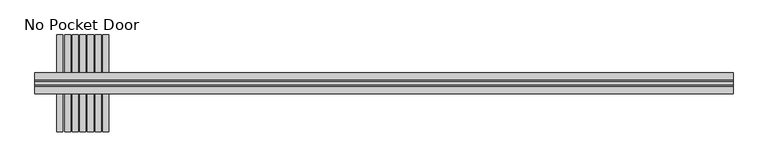
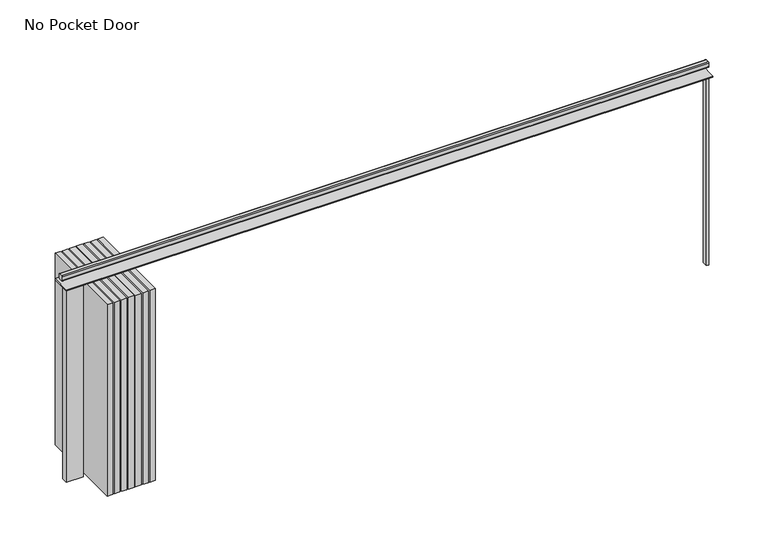
"""IFC4 building model written with IfcOpenShell, lengths in millimetres: proxy geometry, No Pocket Door."""

from ifc_helpers import new_model, si_unit, point, frame, frame_2d, origin, origin_with_axes, place, context, project, spatial, polyline, circle_curve, trimmed, segment, composite_curve, outline, extrude, source, transform, mapped, element, save


def no_pocket_door_01cbc0ba(model_context):
    return source(origin(), model_context, "Body", "SweptSolid", [
        extrude(outline(polyline([(-623.9464503, -603.7035714), (-700.1464503, -603.7035714), (-700.1464503, 603.7035714), (-623.9464503, 603.7035714), (-623.9464503, -603.7035714)])), origin_with_axes(), (0.0, 0.0, 1.0), 2724.15),
        extrude(outline(polyline([(-719.1964503, -603.7035714), (-795.3964503, -603.7035714), (-795.3964503, 603.7035714), (-719.1964503, 603.7035714), (-719.1964503, -603.7035714)])), origin_with_axes(), (0.0, 0.0, 1.0), 2724.15),
        extrude(outline(polyline([(-814.4464503, -603.7035714), (-890.6464503, -603.7035714), (-890.6464503, 603.7035714), (-814.4464503, 603.7035714), (-814.4464503, -603.7035714)])), origin_with_axes(), (0.0, 0.0, 1.0), 2724.15),
        extrude(outline(polyline([(-909.6964503, -603.7035714), (-985.8964503, -603.7035714), (-985.8964503, 603.7035714), (-909.6964503, 603.7035714), (-909.6964503, -603.7035714)])), origin_with_axes(), (0.0, 0.0, 1.0), 2724.15),
        extrude(outline(polyline([(-1004.9464503, -603.7035714), (-1081.1464503, -603.7035714), (-1081.1464503, 603.7035714), (-1004.9464503, 603.7035714), (-1004.9464503, -603.7035714)])), origin_with_axes(), (0.0, 0.0, 1.0), 2724.15),
        extrude(outline(polyline([(-1220.8464503, -120.65), (-1449.4464503, -120.65), (-1449.4464503, -44.45), (-1220.8464503, -44.45), (-1220.8464503, -120.65)])), origin_with_axes(), (0.0, 0.0, 1.0), 2724.15),
        extrude(outline(polyline([(-528.6964503, -603.7035714), (-604.8964503, -603.7035714), (-604.8964503, 603.7035714), (-528.6964503, 603.7035714), (-528.6964503, -603.7035714)])), origin_with_axes(), (0.0, 0.0, 1.0), 2724.15),
        extrude(outline(polyline([(7237.3535497, -38.1), (7205.6035497, -38.1), (7205.6035497, 38.1), (7237.3535497, 38.1), (7237.3535497, -38.1)])), origin_with_axes(), (0.0, 0.0, 1.0), 2724.15),
        extrude(outline(polyline([(-1100.1964503, -603.7035714), (-1176.3964503, -603.7035714), (-1176.3964503, 603.7035714), (-1100.1964503, 603.7035714), (-1100.1964503, -603.7035714)])), origin_with_axes(), (0.0, 0.0, 1.0), 2724.15),
        extrude(outline(polyline([(7237.3535497, -130.175), (-1449.4464503, -130.175), (-1449.4464503, 130.175), (7237.3535497, 130.175), (7237.3535497, -130.175)])), frame((0.0, 0.0, 2724.15), z_axis=(0.0, 0.0, 1.0), x_axis=(1.0, 0.0, 0.0)), (0.0, 0.0, 1.0), 19.05),
        extrude(outline(composite_curve([segment(trimmed(circle_curve(frame_2d((22.225, 2867.025)), 15.875), [point((22.225, 2882.9))], [point((38.1, 2867.025))], False, "CARTESIAN"), True, "CONTINUOUS"), segment(polyline([(38.1, 2867.025), (38.1, 2822.575)]), True, "CONTINUOUS"), segment(trimmed(circle_curve(frame_2d((22.225, 2822.575)), 15.875), [point((38.1, 2822.575))], [point((22.225, 2806.7))], False, "CARTESIAN"), True, "CONTINUOUS"), segment(polyline([(22.225, 2806.7), (-22.225, 2806.7)]), True, "CONTINUOUS"), segment(trimmed(circle_curve(frame_2d((-22.225, 2822.575)), 15.875), [point((-22.225, 2806.7))], [point((-38.1, 2822.575))], False, "CARTESIAN"), True, "CONTINUOUS"), segment(polyline([(-38.1, 2822.575), (-38.1, 2867.025)]), True, "CONTINUOUS"), segment(trimmed(circle_curve(frame_2d((-22.225, 2867.025)), 15.875), [point((-38.1, 2867.025))], [point((-22.225, 2882.9))], False, "CARTESIAN"), True, "CONTINUOUS"), segment(polyline([(-22.225, 2882.9), (22.225, 2882.9)]), True, "CONTINUOUS")], self_intersect=False)), frame((-1449.4464503, 0.0, 0.0), z_axis=(1.0, 0.0, 0.0), x_axis=(0.0, 1.0, 0.0)), (0.0, 0.0, 1.0), 8686.8),
    ])


if __name__ == "__main__":
    model = new_model("IFC4")
    model_context = context("Model", 3, world=origin())
    ifc_project = project(units=[si_unit("LENGTHUNIT", "METRE", prefix="MILLI")], contexts=[model_context])
    site = spatial("IfcSite", under=ifc_project)
    building = spatial("IfcBuilding", under=site)
    placement = place(None, origin())
    no_pocket_door_shape = no_pocket_door_01cbc0ba(model_context)
    element("IfcBuildingElementProxy", 1, Name="No Pocket Door", ObjectType="No Pocket Door", at=placement, inside=building, context=model_context, shape_type="MappedRepresentation", body=[
        mapped(no_pocket_door_shape, transform((0.0, 0.0, 0.0), x_axis=(1.0, 0.0, 0.0), y_axis=(0.0, 1.0, 0.0), z_axis=(0.0, 0.0, 1.0))),
    ])
    save(model, "model.ifc")
